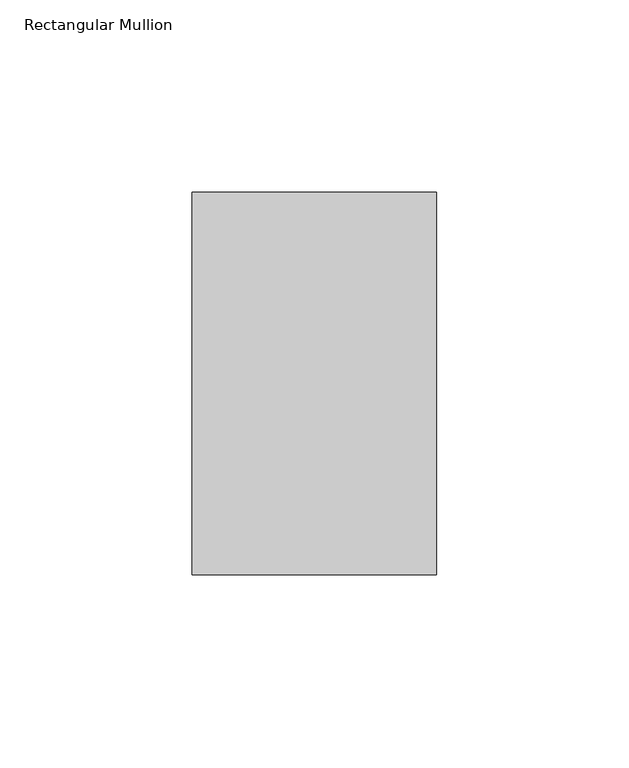
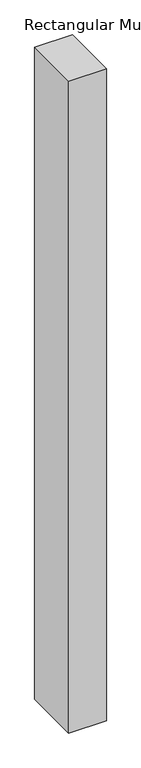
"""IFC4 building model written with IfcOpenShell, lengths in millimetres: member geometry, Rectangular Mullion."""

from ifc_helpers import new_model, si_unit, frame, origin, place, context, project, spatial, polyline, outline, extrude, source, transform, mapped, element, save


def rectangular_mullion_1d25cea7(model_context):
    return source(origin(), model_context, "Body", "SweptSolid", [
        extrude(outline(polyline([(31.75, 138.7038437), (31.75, 39.3898437), (-31.75, 39.3898437), (-31.75, 138.7038437), (31.75, 138.7038437)])), frame((0.0, 0.0, -1162.05), z_axis=(0.0, 0.0, 1.0), x_axis=(1.0, 0.0, 0.0)), (0.0, 0.0, 1.0), 1162.05),
    ])


if __name__ == "__main__":
    model = new_model("IFC4")
    model_context = context("Model", 3, world=origin())
    ifc_project = project(units=[si_unit("LENGTHUNIT", "METRE", prefix="MILLI")], contexts=[model_context])
    site = spatial("IfcSite", under=ifc_project)
    building = spatial("IfcBuilding", under=site)
    placement = place(None, origin())
    rectangular_mullion_shape = rectangular_mullion_1d25cea7(model_context)
    element("IfcMember", 1, ObjectType="Rectangular Mullion", at=placement, inside=building, context=model_context, shape_type="MappedRepresentation", body=[
        mapped(rectangular_mullion_shape, transform((0.0, 0.0, 0.0), x_axis=(1.0, 0.0, 0.0), y_axis=(0.0, 1.0, 0.0), z_axis=(0.0, 0.0, 1.0))),
    ])
    save(model, "model.ifc")
